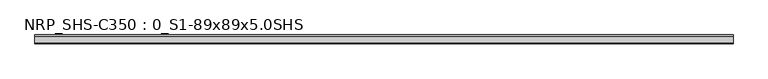
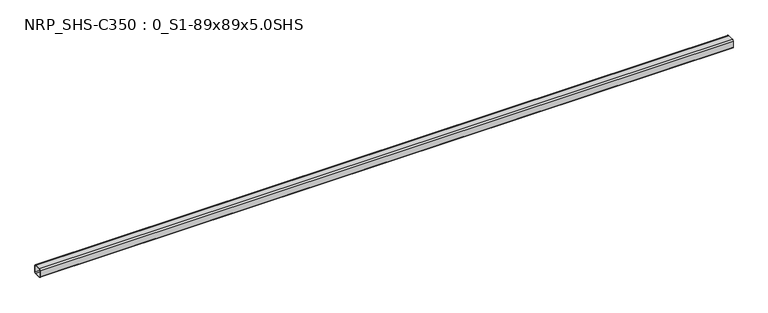
"""IFC4 building model written with IfcOpenShell, lengths in millimetres: beam geometry, NRP_SHS-C350 : 0_S1-89x89x5.0SHS."""

from ifc_helpers import new_model, si_unit, point, frame, frame_2d, origin, place, context, project, spatial, polyline, circle_curve, trimmed, segment, composite_curve, outline, extrude, source, transform, mapped, element, save


def nrp_shs_c350_0_s1_89x89x5_0shs_a7740323(model_context):
    return source(origin(), model_context, "Body", "SweptSolid", [
        extrude(outline(composite_curve([segment(polyline([(44.5, 32.0), (44.5, -32.0)]), True, "CONTINUOUS"), segment(trimmed(circle_curve(frame_2d((32.0, -32.0)), 12.5), [point((44.5, -32.0))], [point((32.0, -44.5))], False, "CARTESIAN"), True, "CONTINUOUS"), segment(polyline([(32.0, -44.5), (-32.0, -44.5)]), True, "CONTINUOUS"), segment(trimmed(circle_curve(frame_2d((-32.0, -32.0)), 12.5), [point((-32.0, -44.5))], [point((-44.5, -32.0))], False, "CARTESIAN"), True, "CONTINUOUS"), segment(polyline([(-44.5, -32.0), (-44.5, 32.0)]), True, "CONTINUOUS"), segment(trimmed(circle_curve(frame_2d((-32.0, 32.0)), 12.5), [point((-44.5, 32.0))], [point((-32.0, 44.5))], False, "CARTESIAN"), True, "CONTINUOUS"), segment(polyline([(-32.0, 44.5), (32.0, 44.5)]), True, "CONTINUOUS"), segment(trimmed(circle_curve(frame_2d((32.0, 32.0)), 12.5), [point((32.0, 44.5))], [point((44.5, 32.0))], False, "CARTESIAN"), True, "CONTINUOUS")], self_intersect=False), holes=[composite_curve([segment(trimmed(circle_curve(frame_2d((-32.0, 32.0)), 7.5), [point((-32.0, 39.5))], [point((-39.5, 32.0))], True, "CARTESIAN"), True, "CONTINUOUS"), segment(polyline([(-39.5, 32.0), (-39.5, -32.0)]), True, "CONTINUOUS"), segment(trimmed(circle_curve(frame_2d((-32.0, -32.0)), 7.5), [point((-39.5, -32.0))], [point((-32.0, -39.5))], True, "CARTESIAN"), True, "CONTINUOUS"), segment(polyline([(-32.0, -39.5), (32.0, -39.5)]), True, "CONTINUOUS"), segment(trimmed(circle_curve(frame_2d((32.0, -32.0)), 7.5), [point((32.0, -39.5))], [point((39.5, -32.0))], True, "CARTESIAN"), True, "CONTINUOUS"), segment(polyline([(39.5, -32.0), (39.5, 32.0)]), True, "CONTINUOUS"), segment(trimmed(circle_curve(frame_2d((32.0, 32.0)), 7.5), [point((39.5, 32.0))], [point((32.0, 39.5))], True, "CARTESIAN"), True, "CONTINUOUS"), segment(polyline([(32.0, 39.5), (-32.0, 39.5)]), True, "CONTINUOUS")], self_intersect=False)]), frame((-3472.0, 0.0, 0.0), z_axis=(1.0, 0.0, 0.0), x_axis=(0.0, 1.0, 0.0)), (0.0, 0.0, 1.0), 6957.0),
    ])


if __name__ == "__main__":
    model = new_model("IFC4")
    model_context = context("Model", 3, world=origin())
    ifc_project = project(units=[si_unit("LENGTHUNIT", "METRE", prefix="MILLI")], contexts=[model_context])
    site = spatial("IfcSite", under=ifc_project)
    building = spatial("IfcBuilding", under=site)
    placement = place(None, origin())
    nrp_shs_c350_0_s1_89x89x5_0shs_shape = nrp_shs_c350_0_s1_89x89x5_0shs_a7740323(model_context)
    element("IfcBeam", 1, ObjectType="NRP_SHS-C350 : 0_S1-89x89x5.0SHS", at=placement, inside=building, context=model_context, shape_type="MappedRepresentation", body=[
        mapped(nrp_shs_c350_0_s1_89x89x5_0shs_shape, transform((0.0, 0.0, 0.0), x_axis=(1.0, 0.0, 0.0), y_axis=(0.0, 1.0, 0.0), z_axis=(0.0, 0.0, 1.0))),
    ])
    save(model, "model.ifc")
